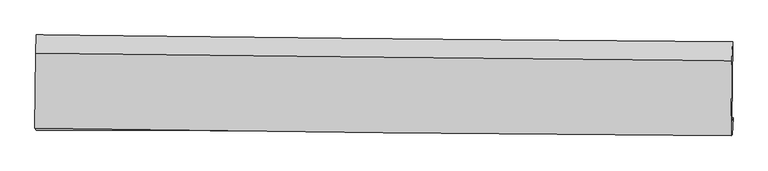
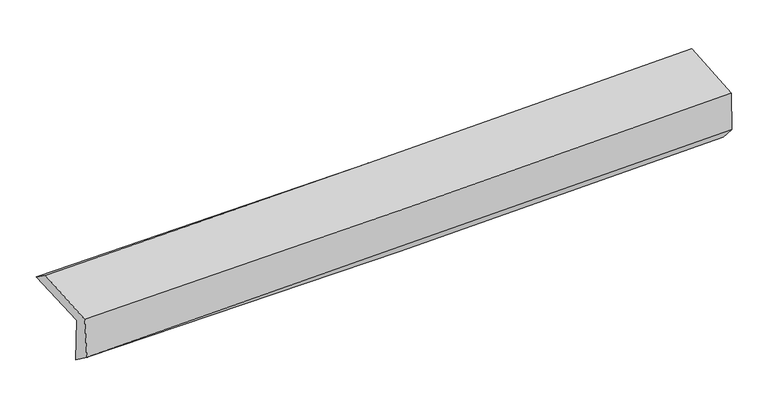
"""IFC4 building model written with IfcOpenShell, lengths in millimetres: proxy geometry."""

import ifcopenshell
import ifcopenshell.guid

model = None  # the IFC model being written
_history = None  # IfcOwnerHistory: only IFC2X3 demands one
_inside = {}  # id of a spatial element -> (the spatial element, [elements in it])
_under = {}  # id of a project, library or spatial element -> (it, [spatial elements below it])
_declared = {}  # id of a project -> (the project, [libraries it declares])
_typed = {}  # id of a type object -> (the type object, [elements of that type])
_made_of = {}  # id of a material, layer set ... -> (it, [elements and type objects made of it])


def new_model(schema):
    """Start an empty IFC model of exactly this schema.

    Asked for "IFC4X3", IfcOpenShell would pick the latest addendum, in which some entities
    have other attributes; the version numbers below select the first issue.
    IFC2X3 requires an IfcOwnerHistory on every rooted entity: one is made here for all.
    """
    global model, _history
    if schema == "IFC4X3":
        model = ifcopenshell.file(schema_version=(4, 3, 0, 0))
    else:
        model = ifcopenshell.file(schema=schema)
    _inside.clear()
    _under.clear()
    _declared.clear()
    _typed.clear()
    _made_of.clear()
    _history = None
    if model.schema == "IFC2X3":
        org = make("IfcOrganization", Name="unknown")
        user = make(
            "IfcPersonAndOrganization",
            ThePerson=make("IfcPerson", FamilyName="unknown"),
            TheOrganization=org,
        )
        app = make(
            "IfcApplication",
            ApplicationDeveloper=org,
            Version="unknown",
            ApplicationFullName="unknown",
            ApplicationIdentifier="unknown",
        )
        _history = make(
            "IfcOwnerHistory",
            OwningUser=user,
            OwningApplication=app,
            ChangeAction="ADDED",
            CreationDate=0,
        )
    return model


def make(cls, **values):
    """One entity of the class cls with the attributes given. An attribute that is None is left unset."""
    return model.create_entity(
        cls, **{name: value for name, value in values.items() if value is not None}
    )


def rooted(cls, **values):
    """An entity with a GlobalId (a new one), such as an element, a storey or a relation."""
    return make(cls, GlobalId=ifcopenshell.guid.new(), OwnerHistory=_history, **values)


def si_unit(unit_type, name, prefix=None):
    """IfcSIUnit, for example si_unit("LENGTHUNIT", "METRE", prefix="MILLI")."""
    return make("IfcSIUnit", UnitType=unit_type, Prefix=prefix, Name=name)


def assignment(units):
    """IfcUnitAssignment: the units of a project."""
    return None if units is None else make("IfcUnitAssignment", Units=units)


def point(xyz):
    """IfcCartesianPoint."""
    return None if xyz is None else make("IfcCartesianPoint", Coordinates=xyz)


def direction(xyz):
    """IfcDirection."""
    return None if xyz is None else make("IfcDirection", DirectionRatios=xyz)


def frame(location, z_axis=None, x_axis=None):
    """IfcAxis2Placement3D, a coordinate frame: its origin and axes. An axis left out is left unset."""
    return make(
        "IfcAxis2Placement3D",
        Location=point(location),
        Axis=direction(z_axis),
        RefDirection=direction(x_axis),
    )


def origin():
    """The frame at (0, 0, 0) with its axes left unset."""
    return frame((0.0, 0.0, 0.0))


def place(relative_to, where):
    """IfcLocalPlacement: puts the frame where relative to a parent placement (None: the world)."""
    return make(
        "IfcLocalPlacement", PlacementRelTo=relative_to, RelativePlacement=where
    )


def context(
    kind, dimensions, precision=None, world=None, true_north=None, identifier=None
):
    """IfcGeometricRepresentationContext, for example the 3D "Model" context."""
    return make(
        "IfcGeometricRepresentationContext",
        ContextIdentifier=identifier,
        ContextType=kind,
        CoordinateSpaceDimension=dimensions,
        Precision=precision,
        WorldCoordinateSystem=world,
        TrueNorth=true_north,
    )


def project(units=None, contexts=None):
    """IfcProject with its units and contexts."""
    return rooted(
        "IfcProject",
        Name="project",
        RepresentationContexts=contexts,
        UnitsInContext=assignment(units),
    )


def spatial(cls, under=None, at=None, **own):
    """A site, building, storey or space (cls), placed at a placement, below another one or the project."""
    s = rooted(cls, ObjectPlacement=at, **own)
    if under is not None:
        _under.setdefault(under.id(), (under, []))[1].append(s)
    return s


def shape(context_of_items, identifier, shape_type, items):
    """IfcShapeRepresentation: the items that make up one representation, for example the "Body"."""
    return make(
        "IfcShapeRepresentation",
        ContextOfItems=context_of_items,
        RepresentationIdentifier=identifier,
        RepresentationType=shape_type,
        Items=items,
    )


def source(mapping_origin, context_of_items, identifier, shape_type, items):
    """IfcRepresentationMap: a shape defined once, which mapped items show again and again."""
    return make(
        "IfcRepresentationMap",
        MappingOrigin=mapping_origin,
        MappedRepresentation=shape(context_of_items, identifier, shape_type, items),
    )


def transform(
    local_origin,
    x_axis=None,
    y_axis=None,
    z_axis=None,
    scale=None,
    scale2=None,
    scale3=None,
    uniform=True,
):
    """IfcCartesianTransformationOperator3D, or its non-uniform kind. x_axis, y_axis, z_axis: its Axis1, 2, 3."""
    if uniform:
        return make(
            "IfcCartesianTransformationOperator3D",
            Axis1=direction(x_axis),
            Axis2=direction(y_axis),
            LocalOrigin=point(local_origin),
            Scale=scale,
            Axis3=direction(z_axis),
        )
    return make(
        "IfcCartesianTransformationOperator3DnonUniform",
        Axis1=direction(x_axis),
        Axis2=direction(y_axis),
        LocalOrigin=point(local_origin),
        Scale=scale,
        Axis3=direction(z_axis),
        Scale2=scale2,
        Scale3=scale3,
    )


def mapped(mapping_source, mapping_target):
    """IfcMappedItem: shows the shape of a source again, moved by a transform."""
    return make(
        "IfcMappedItem", MappingSource=mapping_source, MappingTarget=mapping_target
    )


def made_of(thing, what):
    """Note that an element or type object is made of a material, layer set ...; save() writes the relation."""
    if what is not None:
        _made_of.setdefault(what.id(), (what, []))[1].append(thing)
    return thing


def element(
    cls,
    number,
    at=None,
    inside=None,
    cuts=None,
    type_object=None,
    material=None,
    context=None,
    identifier="Body",
    shape_type=None,
    held_by="IfcProductDefinitionShape",
    body=None,
    shapes=None,
    **own,
):
    """One element of the class cls, such as IfcWall. Its Tag is "e" and its number.

    at: its placement. inside: the storey or other place that contains it. cuts: it is an
    opening in that element (IfcRelVoidsElement). A single representation is given by context,
    identifier, shape_type and body (its items); several are given by shapes. held_by: the class
    of the entity that holds the representations. save() writes the other relations.
    """
    e = rooted(cls, Tag="e%d" % number, ObjectPlacement=at, **own)
    if body is not None:
        shapes = [shape(context, identifier, shape_type, body)]
    if shapes is not None:
        e.Representation = make(held_by, Representations=shapes)
    if inside is not None:
        _inside.setdefault(inside.id(), (inside, []))[1].append(e)
    if cuts is not None:
        rooted(
            "IfcRelVoidsElement", RelatingBuildingElement=cuts, RelatedOpeningElement=e
        )
    if type_object is not None:
        _typed.setdefault(type_object.id(), (type_object, []))[1].append(e)
    return made_of(e, material)


def aggregate(whole, parts):
    """IfcRelAggregates: a whole, such as a stair, and the parts it consists of."""
    return rooted("IfcRelAggregates", RelatingObject=whole, RelatedObjects=parts)


def save(model, path):
    """Write the relations noted so far, then the file.

    IfcRelAggregates (storeys below a building ...), IfcRelContainedInSpatialStructure (elements
    in a storey), IfcRelDefinesByType, IfcRelAssociatesMaterial and IfcRelDeclares: one each for
    every whole, place, type object, material and project.
    """
    for whole, parts in _under.values():
        aggregate(whole, parts)
    for where, things in _inside.values():
        rooted(
            "IfcRelContainedInSpatialStructure",
            RelatedElements=things,
            RelatingStructure=where,
        )
    for kind, things in _typed.values():
        rooted("IfcRelDefinesByType", RelatedObjects=things, RelatingType=kind)
    for what, things in _made_of.values():
        rooted("IfcRelAssociatesMaterial", RelatedObjects=things, RelatingMaterial=what)
    for by, libraries in _declared.values():
        rooted("IfcRelDeclares", RelatingContext=by, RelatedDefinitions=libraries)
    model.write(path)


def plane_surface(at):
    """IfcPlane: the flat surface through the origin of the frame at, square to its z axis."""
    return make("IfcPlane", Position=at)


def spline_curve(degree, points, multiplicities, knots, weights=None):
    """IfcBSplineCurveWithKnots; with weights, IfcRationalBSplineCurveWithKnots."""
    own = dict(
        Degree=degree,
        ControlPointsList=[point(p) for p in points],
        CurveForm="UNSPECIFIED",
        ClosedCurve=False,
        SelfIntersect=False,
        KnotMultiplicities=multiplicities,
        Knots=knots,
        KnotSpec="UNSPECIFIED",
    )
    if weights is None:
        return make("IfcBSplineCurveWithKnots", **own)
    return make("IfcRationalBSplineCurveWithKnots", WeightsData=weights, **own)


def spline_surface(u_degree, v_degree, points, u_multiplicities, v_multiplicities, u_knots, v_knots, weights=None):
    """IfcBSplineSurfaceWithKnots; with weights, IfcRationalBSplineSurfaceWithKnots. points: one row for each step in u."""
    own = dict(
        UDegree=u_degree,
        VDegree=v_degree,
        ControlPointsList=[[point(p) for p in row] for row in points],
        SurfaceForm="UNSPECIFIED",
        UClosed=False,
        VClosed=False,
        SelfIntersect=False,
        UMultiplicities=u_multiplicities,
        VMultiplicities=v_multiplicities,
        UKnots=u_knots,
        VKnots=v_knots,
        KnotSpec="UNSPECIFIED",
    )
    if weights is None:
        return make("IfcBSplineSurfaceWithKnots", **own)
    return make("IfcRationalBSplineSurfaceWithKnots", WeightsData=weights, **own)


def advanced_brep(points, edges, surfaces, faces):
    """IfcAdvancedBrep: a solid bounded by faces that lie on surfaces and meet in shared edges.

    An edge is (start, end): straight between two places in points (the first is 0);
    or (start, end, curve); or (start, end, curve, False) where it runs against its curve.
    A face is (place in surfaces, loops), or (place, loops, False) where it looks against
    its surface's normal. A loop lists edges by number (the first is 1), with a minus sign
    where the edge is run from its end to its start. The first loop is the outer one.
    """
    corners = [point(p) for p in points]
    vertices = [make("IfcVertexPoint", VertexGeometry=c) for c in corners]
    made = []
    for start, end, *more in edges:
        made.append(
            make(
                "IfcEdgeCurve",
                EdgeStart=vertices[start],
                EdgeEnd=vertices[end],
                EdgeGeometry=more[0] if more else make("IfcPolyline", Points=[corners[start], corners[end]]),
                SameSense=more[1] if len(more) > 1 else True,
            )
        )
    hull = []
    for where, loops, *sense in faces:
        bounds = []
        for j, loop in enumerate(loops):
            ring = [make("IfcOrientedEdge", EdgeElement=made[abs(k) - 1], Orientation=k > 0) for k in loop]
            bounds.append(
                make(
                    "IfcFaceOuterBound" if j == 0 else "IfcFaceBound",
                    Bound=make("IfcEdgeLoop", EdgeList=ring),
                    Orientation=True,
                )
            )
        hull.append(make("IfcAdvancedFace", Bounds=bounds, FaceSurface=surfaces[where], SameSense=sense[0] if sense else True))
    return make("IfcAdvancedBrep", Outer=make("IfcClosedShell", CfsFaces=hull))


def generic_models_76302352(model_context):
    return source(origin(), model_context, "Body", "AdvancedBrep", [
        advanced_brep(
        [(-3030.2690349, -1771.6912533, 1965.5527792), (-3023.1785733, -1102.2552358, 1990.6203359), (3015.4261901, -1160.3547382, 2117.4876515), (3007.834643, -1848.9401595, 2101.9062764), (-3017.7576305, -1740.5549132, 1549.9961936), (3019.9560494, -1819.0285731, 1699.2015497), (-3024.123768, -1929.0868177, 1692.4052155), (3013.3683323, -1967.3008897, 1865.2855311), (-3034.723313, -1912.0308636, 2061.8250014), (3002.3399041, -1977.5602592, 2238.4569601), (-3028.3874073, -1261.6198554, 2105.0994674), (3008.6899673, -1325.6959197, 2281.828122)],
        [
            (0, 1),
            (1, 2, spline_curve(3, [(-3023.1785733, -1102.2552358, 1990.6203359), (-2016.077529955, -1115.722842953, 1985.970324269), (-1009.288533096, -1127.298397606, 1994.218593757), (1003.579668116, -1146.664575863, 2036.509895455), (2009.658925914, -1154.455522513, 2070.550730874), (3015.4261901, -1160.3547382, 2117.4876515)], [4, 2, 4], [0.0, 9.909891883286567, 19.818939958303552])),
            (2, 3),
            (3, 0, spline_curve(3, [(3007.834643, -1848.9401595, 2101.9062764), (2002.317291613, -1833.525509882, 2050.224118099), (996.404749365, -1819.380995914, 2013.020114975), (-1016.296409233, -1793.631144364, 1967.566483398), (-2023.085092997, -1782.026022549, 1959.319320779), (-3030.2690349, -1771.6912533, 1965.5527792)], [4, 2, 4], [0.0, 9.909048075016985, 19.818939958303552])),
            (4, 0),
            (3, 5),
            (5, 4, spline_curve(3, [(3019.9560494, -1819.0285731, 1699.2015497), (2014.269486291, -1803.907936697, 1653.190441345), (1008.304831521, -1789.808381696, 1617.751186594), (-1004.266348056, -1763.650321402, 1568.014267414), (-2010.872919764, -1751.591989442, 1553.718403348), (-3017.7576305, -1740.5549132, 1549.9961936)], [4, 2, 4], [0.0, 9.90876980495636, 19.818383394486123])),
            (6, 4),
            (5, 7),
            (7, 6, spline_curve(3, [(3013.3683323, -1967.3008897, 1865.2855311), (2007.251760837, -1955.11588019, 1832.811024529), (1001.090556481, -1945.838881208, 1802.16761391), (-1011.406802672, -1933.100362038, 1744.540530168), (-2017.742965112, -1929.639336984, 1717.557169018), (-3024.123768, -1929.0868177, 1692.4052155)], [4, 2, 4], [0.0, 9.907973558334263, 19.81679083343728])),
            (8, 6),
            (7, 9),
            (9, 8, spline_curve(3, [(3002.3399041, -1977.5602592, 2238.4569601), (1996.250159613, -1969.835778599, 2203.281504997), (990.138106238, -1960.513055786, 2170.974952058), (-1022.216295342, -1938.670196436, 2112.097144169), (-2028.458647814, -1926.149787034, 2085.526377416), (-3034.723313, -1912.0308636, 2061.8250014)], [4, 2, 4], [0.0, 9.90779669788705, 19.81643709748225])),
            (10, 8),
            (9, 11),
            (11, 10, spline_curve(3, [(3008.6899673, -1325.6959197, 2281.828122), (2002.605041283, -1317.476794619, 2246.685577853), (996.494217737, -1308.027839813, 2214.387423786), (-1015.864902642, -1286.669361032, 2155.477387469), (-2022.113203904, -1274.759627955, 2128.865990277), (-3028.3874073, -1261.6198554, 2105.0994674)], [4, 2, 4], [0.0, 9.90777763932519, 19.816398978735588])),
            (1, 10),
            (11, 2),
        ],
        [
            spline_surface(3, 3, [[(-3030.2690349, -1771.6912533, 1965.5527792), (-2023.085093036, -1782.026022613, 1959.319320785), (-1016.296409259, -1793.631144281, 1967.566483373), (996.40474939, -1819.380995997, 2013.020115), (2002.317291599, -1833.525509752, 2050.224118136), (3007.834643, -1848.9401595, 2101.9062764)], [(-3027.905547709, -1548.54591414, 1973.90863141), (-2020.7492387, -1559.924962762, 1968.202988543), (-1013.960450534, -1571.520228674, 1976.450520187), (998.796389012, -1595.142189344, 2020.850041824), (2004.764503004, -1607.168847318, 2056.99965573), (3010.36515871, -1619.411685728, 2107.100068092)], [(-3025.542060491, -1325.40057496, 1982.26448369), (-2018.413384337, -1337.823902891, 1977.086656372), (-1011.624491884, -1349.409313052, 1985.334556964), (1001.188028558, -1370.903382677, 2028.67996861), (2007.21171438, -1380.812184901, 2063.775193349), (3012.89567439, -1389.883211972, 2112.293859808)], [(-3023.1785733, -1102.2552358, 1990.6203359), (-2016.077530001, -1115.722843039, 1985.97032413), (-1009.288533159, -1127.298397444, 1994.218593779), (1003.579668179, -1146.664576024, 2036.509895433), (2009.658925785, -1154.455522467, 2070.550730944), (3015.4261901, -1160.3547382, 2117.4876515)]], [4, 4], [4, 2, 4], [0.0, 2.198264704418557], [0.0, 9.909891883286567, 19.818939958303552]),
            spline_surface(3, 3, [[(-3017.7576305, -1740.5549132, 1549.9961936), (-2010.872919752, -1751.591989542, 1553.718403306), (-1004.266347907, -1763.65032127, 1568.014267357), (1008.304831373, -1789.808381829, 1617.751186651), (2014.269486139, -1803.9079367, 1653.190441264), (3019.9560494, -1819.0285731, 1699.2015497)], [(-3021.928098611, -1750.933693243, 1688.515055485), (-2014.943644158, -1761.736667242, 1688.91870915), (-1008.276368385, -1773.643928947, 1701.198339345), (1004.338137352, -1799.665919891, 1749.507496084), (2010.285421294, -1813.780461032, 1785.535000227), (3015.915580602, -1828.999101881, 1833.436458605)], [(-3026.098566789, -1761.312473257, 1827.033917315), (-2019.01436863, -1771.881344913, 1824.11901494), (-1012.286388781, -1783.637536604, 1834.382411385), (1000.371443412, -1809.523457934, 1881.263805567), (2006.301356444, -1823.65298542, 1917.879559173), (3011.875111798, -1838.969630719, 1967.671367495)], [(-3030.2690349, -1771.6912533, 1965.5527792), (-2023.085093036, -1782.026022613, 1959.319320785), (-1016.296409259, -1793.631144281, 1967.566483373), (996.40474939, -1819.380995997, 2013.020115), (2002.317291599, -1833.525509752, 2050.224118136), (3007.834643, -1848.9401595, 2101.9062764)]], [4, 4], [4, 2, 4], [0.0, 1.3080849986368221], [0.0, 9.909613589529762, 19.818383394486123]),
            spline_surface(3, 3, [[(-3024.123768, -1929.0868177, 1692.4052155), (-2017.742965006, -1929.639336938, 1717.557169071), (-1011.406802678, -1933.100361989, 1744.540530177), (1001.090556487, -1945.838881258, 1802.167613901), (2007.251760926, -1955.115880241, 1832.811024683), (3013.3683323, -1967.3008897, 1865.2855311)], [(-3022.001722192, -1866.242849516, 1644.935541514), (-2015.452949947, -1870.290221122, 1662.94424713), (-1009.026651056, -1876.617015077, 1685.698442562), (1003.495314815, -1893.828714776, 1740.695471476), (2009.591002649, -1904.713232411, 1772.937496886), (3015.564237985, -1917.876784184, 1809.924203976)], [(-3019.879676308, -1803.398881384, 1597.465867586), (-2013.162934811, -1810.941105358, 1608.331325247), (-1006.64649953, -1820.133668182, 1626.856354972), (1005.900073045, -1841.818548311, 1679.223329076), (2011.930244416, -1854.31058453, 1713.063969061), (3017.760143715, -1868.452678616, 1754.562876824)], [(-3017.7576305, -1740.5549132, 1549.9961936), (-2010.872919752, -1751.591989542, 1553.718403306), (-1004.266347907, -1763.65032127, 1568.014267357), (1008.304831373, -1789.808381829, 1617.751186651), (2014.269486139, -1803.9079367, 1653.190441264), (3019.9560494, -1819.0285731, 1699.2015497)]], [4, 4], [4, 2, 4], [0.0, 0.7976279893810556], [0.0, 9.908817275103019, 19.81679083343728]),
            spline_surface(3, 3, [[(-3034.723313, -1912.0308636, 2061.8250014), (-2028.458647951, -1926.149787126, 2085.526377353), (-1022.216295505, -1938.670196287, 2112.097144022), (990.1381064, -1960.513055935, 2170.974952205), (1996.250159644, -1969.83577866, 2203.281505121), (3002.3399041, -1977.5602592, 2238.4569601)], [(-3031.190131323, -1917.716181638, 1938.685072779), (-2024.886753625, -1927.312970401, 1962.869974604), (-1018.613131243, -1936.813584847, 1989.578272734), (993.788923082, -1955.621664369, 2048.039172764), (1999.917360077, -1964.929145851, 2079.791344986), (3006.016046839, -1974.140469364, 2114.066483777)], [(-3027.656949677, -1923.401499662, 1815.545144121), (-2021.314859332, -1928.476153663, 1840.21357182), (-1015.00996694, -1934.956973429, 1867.059401465), (997.439739805, -1950.730272824, 1925.103393342), (2003.584560493, -1960.02251305, 1956.301184819), (3009.692189561, -1970.720679536, 1989.676007423)], [(-3024.123768, -1929.0868177, 1692.4052155), (-2017.742965006, -1929.639336938, 1717.557169071), (-1011.406802678, -1933.100361989, 1744.540530177), (1001.090556487, -1945.838881258, 1802.167613901), (2007.251760926, -1955.115880241, 1832.811024683), (3013.3683323, -1967.3008897, 1865.2855311)]], [4, 4], [4, 2, 4], [0.0, 1.2089294958338963], [0.0, 9.9086403995952, 19.81643709748225]),
            spline_surface(3, 3, [[(-3028.3874073, -1261.6198554, 2105.0994674), (-2022.113203962, -1274.759627917, 2128.865990217), (-1015.864902677, -1286.669361107, 2155.477387625), (996.494217772, -1308.027839738, 2214.38742363), (2002.605041368, -1317.476794661, 2246.685577714), (3008.6899673, -1325.6959197, 2281.828122)], [(-3030.499375874, -1478.423524818, 2090.674645409), (-2024.228351966, -1491.889681005, 2114.419452605), (-1017.982033625, -1504.002972832, 2141.017306437), (994.375513976, -1525.522911802, 2199.916599834), (2000.486747464, -1534.929789342, 2232.217553496), (3006.573279571, -1542.984032881, 2267.371068013)], [(-3032.611344426, -1695.227194182, 2076.249823391), (-2026.343499947, -1709.019734038, 2099.972914965), (-1020.099164558, -1721.336584561, 2126.55722521), (992.256810196, -1743.01798387, 2185.445776), (1998.368453547, -1752.382783979, 2217.749529339), (3004.456591829, -1760.272146019, 2252.914014087)], [(-3034.723313, -1912.0308636, 2061.8250014), (-2028.458647951, -1926.149787126, 2085.526377353), (-1022.216295505, -1938.670196287, 2112.097144022), (990.1381064, -1960.513055935, 2170.974952205), (1996.250159644, -1969.83577866, 2203.281505121), (3002.3399041, -1977.5602592, 2238.4569601)]], [4, 4], [4, 2, 4], [0.0, 2.144737389474102], [0.0, 9.908621339410399, 19.816398978735588]),
            spline_surface(3, 3, [[(-3023.1785733, -1102.2552358, 1990.6203359), (-2016.077530001, -1115.722843039, 1985.97032413), (-1009.288533159, -1127.298397444, 1994.218593779), (1003.579668179, -1146.664576024, 2036.509895433), (2009.658925785, -1154.455522467, 2070.550730944), (3015.4261901, -1160.3547382, 2117.4876515)], [(-3024.91485129, -1155.376775645, 2028.780046404), (-2018.089421312, -1168.735104643, 2033.602212829), (-1011.480656343, -1180.422052001, 2047.971525068), (1001.217851365, -1200.452330598, 2095.802404839), (2007.307630972, -1208.795946528, 2129.262346537), (3013.180782493, -1215.468465362, 2172.267808337)], [(-3026.65112931, -1208.498315555, 2066.939756896), (-2020.101312651, -1221.747366313, 2081.234101517), (-1013.672779493, -1233.54570655, 2101.724456336), (998.856034586, -1254.240085164, 2155.094914224), (2004.95633618, -1263.136370601, 2187.97396212), (3010.935374907, -1270.582192538, 2227.047965163)], [(-3028.3874073, -1261.6198554, 2105.0994674), (-2022.113203962, -1274.759627917, 2128.865990217), (-1015.864902677, -1286.669361107, 2155.477387625), (996.494217772, -1308.027839738, 2214.38742363), (2002.605041368, -1317.476794661, 2246.685577714), (3008.6899673, -1325.6959197, 2281.828122)]], [4, 4], [4, 2, 4], [0.0, 0.7660418046397685], [0.0, 9.909016895899434, 19.817190058032782]),
            plane_surface(frame((3011.2691811, -1683.1467566, 2050.6943485), z_axis=(0.9995048292542716, -0.01168052131019726, 0.029217489955697517), x_axis=(0.029529204078649306, 0.027470008414278813, -0.9991863813844747))),
            plane_surface(frame((-3026.4066212, -1619.5398232, 1894.2498322), z_axis=(-0.9995048292542705, 0.01168052130961327, -0.02921748995597661), x_axis=(-0.010583683405170706, -0.9992436735416221, -0.037417462936754825))),
        ],
        [
            (0, [[1, 2, 3, 4]]),
            (1, [[5, -4, 6, 7]]),
            (2, [[8, -7, 9, 10]]),
            (3, [[11, -10, 12, 13]]),
            (4, [[14, -13, 15, 16]]),
            (5, [[17, -16, 18, -2]]),
            (6, [[-12, -9, -6, -3, -18, -15]]),
            (7, [[-1, -5, -8, -11, -14, -17]]),
        ],
    ),
    ])


if __name__ == "__main__":
    model = new_model("IFC4")
    model_context = context("Model", 3, world=origin())
    ifc_project = project(units=[si_unit("LENGTHUNIT", "METRE", prefix="MILLI")], contexts=[model_context])
    site = spatial("IfcSite", under=ifc_project)
    building = spatial("IfcBuilding", under=site)
    placement = place(None, origin())
    generic_models_shape = generic_models_76302352(model_context)
    element("IfcBuildingElementProxy", 1, Name="Generic Models", at=placement, inside=building, context=model_context, shape_type="MappedRepresentation", body=[
        mapped(generic_models_shape, transform((0.0, 0.0, 0.0), x_axis=(1.0, 0.0, 0.0), y_axis=(0.0, 1.0, 0.0), z_axis=(0.0, 0.0, 1.0))),
    ])
    save(model, "model.ifc")
